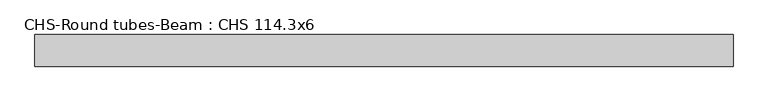
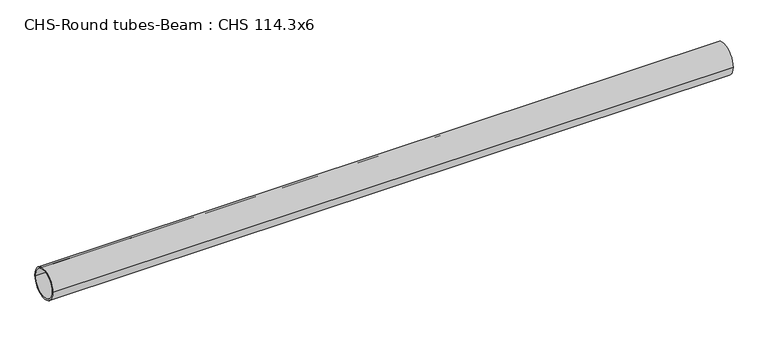
"""IFC4 building model written with IfcOpenShell, lengths in millimetres: beam geometry, CHS-Round tubes-Beam : CHS 114.3x6."""

from ifc_helpers import new_model, si_unit, point, frame, origin, origin_2d, place, context, project, spatial, circle_curve, trimmed, segment, composite_curve, outline, extrude, source, transform, mapped, element, save


def chs_round_tubes_beam_chs_114_3x6_ec865c90(model_context):
    return source(origin(), model_context, "Body", "SweptSolid", [
        extrude(outline(composite_curve([segment(trimmed(circle_curve(origin_2d(), 57.15), [point((57.15, 0.0))], [point((-57.15, 0.0))], False, "CARTESIAN"), True, "CONTINUOUS"), segment(trimmed(circle_curve(origin_2d(), 57.15), [point((-57.15, 0.0))], [point((57.15, 0.0))], False, "CARTESIAN"), True, "CONTINUOUS")], self_intersect=False), holes=[composite_curve([segment(trimmed(circle_curve(origin_2d(), 51.15), [point((51.15, 0.0))], [point((-51.15, 0.0))], True, "CARTESIAN"), True, "CONTINUOUS"), segment(trimmed(circle_curve(origin_2d(), 51.15), [point((-51.15, 0.0))], [point((51.15, 0.0))], True, "CARTESIAN"), True, "CONTINUOUS")], self_intersect=False)]), frame((-1211.8883434, 0.0, 0.0), z_axis=(1.0, 0.0, 0.0), x_axis=(0.0, 1.0, 0.0)), (0.0, 0.0, 1.0), 2523.3236773),
    ])


if __name__ == "__main__":
    model = new_model("IFC4")
    model_context = context("Model", 3, world=origin())
    ifc_project = project(units=[si_unit("LENGTHUNIT", "METRE", prefix="MILLI")], contexts=[model_context])
    site = spatial("IfcSite", under=ifc_project)
    building = spatial("IfcBuilding", under=site)
    placement = place(None, origin())
    chs_round_tubes_beam_chs_114_3x6_shape = chs_round_tubes_beam_chs_114_3x6_ec865c90(model_context)
    element("IfcBeam", 1, ObjectType="CHS-Round tubes-Beam : CHS 114.3x6", at=placement, inside=building, context=model_context, shape_type="MappedRepresentation", body=[
        mapped(chs_round_tubes_beam_chs_114_3x6_shape, transform((0.0, 0.0, 0.0), x_axis=(1.0, 0.0, 0.0), y_axis=(0.0, 1.0, 0.0), z_axis=(0.0, 0.0, 1.0))),
    ])
    save(model, "model.ifc")
